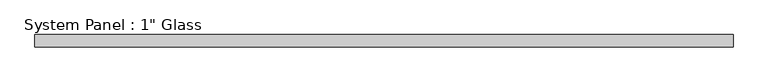
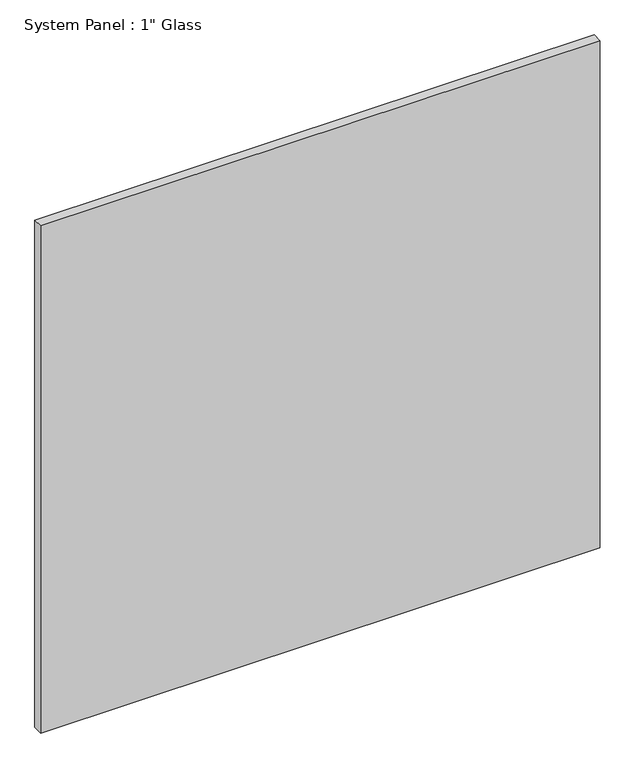
"""IFC4 building model written with IfcOpenShell, lengths in millimetres: plate geometry."""

from ifc_helpers import new_model, si_unit, origin, origin_with_axes, place, context, project, spatial, polyline, outline, extrude, source, transform, mapped, element, save


def plate_953d3264(model_context):
    return source(origin(), model_context, "Body", "SweptSolid", [
        extrude(outline(polyline([(727.0758852, -12.7), (-727.0758852, -12.7), (-727.0758852, 12.7), (727.0758852, 12.7), (727.0758852, -12.7)])), origin_with_axes(), (0.0, 0.0, 1.0), 1393.1935408),
    ])


if __name__ == "__main__":
    model = new_model("IFC4")
    model_context = context("Model", 3, world=origin())
    ifc_project = project(units=[si_unit("LENGTHUNIT", "METRE", prefix="MILLI")], contexts=[model_context])
    site = spatial("IfcSite", under=ifc_project)
    building = spatial("IfcBuilding", under=site)
    placement = place(None, origin())
    plate_shape = plate_953d3264(model_context)
    element("IfcPlate", 1, ObjectType="System Panel : 1\" Glass", at=placement, inside=building, context=model_context, shape_type="MappedRepresentation", body=[
        mapped(plate_shape, transform((0.0, 0.0, 0.0), x_axis=(1.0, 0.0, 0.0), y_axis=(0.0, 1.0, 0.0), z_axis=(0.0, 0.0, 1.0))),
    ])
    save(model, "model.ifc")
